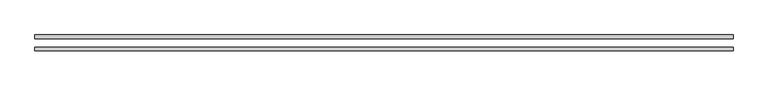
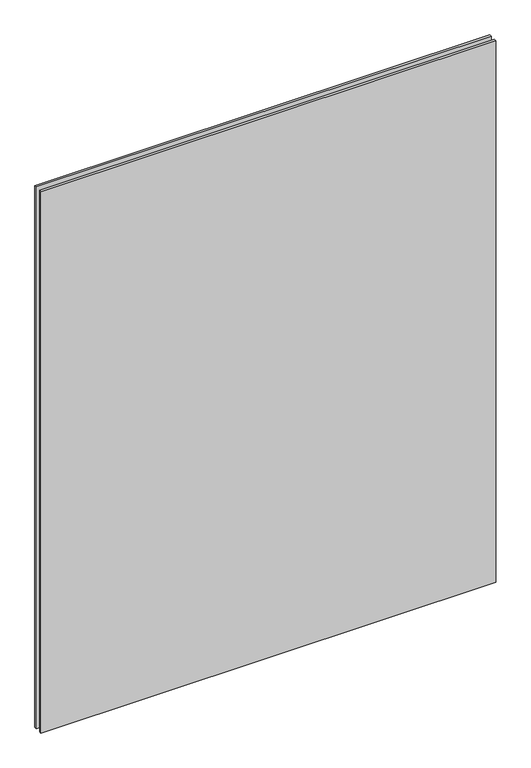
"""IFC4 building model written with IfcOpenShell, lengths in millimetres: plate geometry."""

from ifc_helpers import new_model, si_unit, origin, origin_with_axes, place, context, project, spatial, polyline, outline, extrude, source, transform, mapped, element, save


def plate_a8a5c0e0(model_context):
    return source(origin(), model_context, "Body", "SweptSolid", [
        extrude(outline(polyline([(1177.925, 26.9875), (1177.925, 14.2875), (-1177.925, 14.2875), (-1177.925, 26.9875), (1177.925, 26.9875)])), origin_with_axes(), (0.0, 0.0, 1.0), 2965.45),
        extrude(outline(polyline([(1177.925, -26.9875), (-1177.925, -26.9875), (-1177.925, -14.2875), (1177.925, -14.2875), (1177.925, -26.9875)])), origin_with_axes(), (0.0, 0.0, 1.0), 2965.45),
    ])


if __name__ == "__main__":
    model = new_model("IFC4")
    model_context = context("Model", 3, world=origin())
    ifc_project = project(units=[si_unit("LENGTHUNIT", "METRE", prefix="MILLI")], contexts=[model_context])
    site = spatial("IfcSite", under=ifc_project)
    building = spatial("IfcBuilding", under=site)
    placement = place(None, origin())
    plate_shape = plate_a8a5c0e0(model_context)
    element("IfcPlate", 1, at=placement, inside=building, context=model_context, shape_type="MappedRepresentation", body=[
        mapped(plate_shape, transform((0.0, 0.0, 0.0), x_axis=(1.0, 0.0, 0.0), y_axis=(0.0, 1.0, 0.0), z_axis=(0.0, 0.0, 1.0))),
    ])
    save(model, "model.ifc")
